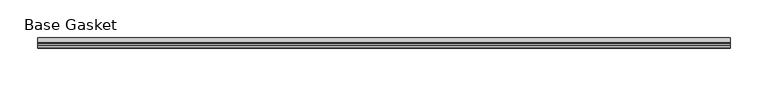
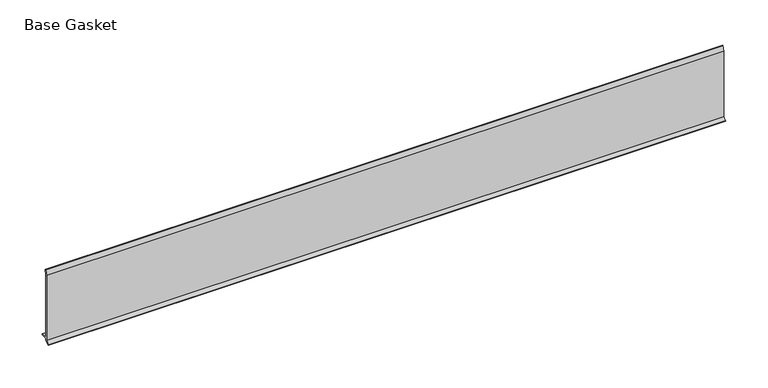
"""IFC4 building model written with IfcOpenShell, lengths in millimetres: furniture geometry, Base Gasket."""

import ifcopenshell
import ifcopenshell.guid

model = None  # the IFC model being written
_history = None  # IfcOwnerHistory: only IFC2X3 demands one
_inside = {}  # id of a spatial element -> (the spatial element, [elements in it])
_under = {}  # id of a project, library or spatial element -> (it, [spatial elements below it])
_declared = {}  # id of a project -> (the project, [libraries it declares])
_typed = {}  # id of a type object -> (the type object, [elements of that type])
_made_of = {}  # id of a material, layer set ... -> (it, [elements and type objects made of it])


def new_model(schema):
    """Start an empty IFC model of exactly this schema.

    Asked for "IFC4X3", IfcOpenShell would pick the latest addendum, in which some entities
    have other attributes; the version numbers below select the first issue.
    IFC2X3 requires an IfcOwnerHistory on every rooted entity: one is made here for all.
    """
    global model, _history
    if schema == "IFC4X3":
        model = ifcopenshell.file(schema_version=(4, 3, 0, 0))
    else:
        model = ifcopenshell.file(schema=schema)
    _inside.clear()
    _under.clear()
    _declared.clear()
    _typed.clear()
    _made_of.clear()
    _history = None
    if model.schema == "IFC2X3":
        org = make("IfcOrganization", Name="unknown")
        user = make(
            "IfcPersonAndOrganization",
            ThePerson=make("IfcPerson", FamilyName="unknown"),
            TheOrganization=org,
        )
        app = make(
            "IfcApplication",
            ApplicationDeveloper=org,
            Version="unknown",
            ApplicationFullName="unknown",
            ApplicationIdentifier="unknown",
        )
        _history = make(
            "IfcOwnerHistory",
            OwningUser=user,
            OwningApplication=app,
            ChangeAction="ADDED",
            CreationDate=0,
        )
    return model


def make(cls, **values):
    """One entity of the class cls with the attributes given. An attribute that is None is left unset."""
    return model.create_entity(
        cls, **{name: value for name, value in values.items() if value is not None}
    )


def rooted(cls, **values):
    """An entity with a GlobalId (a new one), such as an element, a storey or a relation."""
    return make(cls, GlobalId=ifcopenshell.guid.new(), OwnerHistory=_history, **values)


def si_unit(unit_type, name, prefix=None):
    """IfcSIUnit, for example si_unit("LENGTHUNIT", "METRE", prefix="MILLI")."""
    return make("IfcSIUnit", UnitType=unit_type, Prefix=prefix, Name=name)


def assignment(units):
    """IfcUnitAssignment: the units of a project."""
    return None if units is None else make("IfcUnitAssignment", Units=units)


def point(xyz):
    """IfcCartesianPoint."""
    return None if xyz is None else make("IfcCartesianPoint", Coordinates=xyz)


def direction(xyz):
    """IfcDirection."""
    return None if xyz is None else make("IfcDirection", DirectionRatios=xyz)


def frame(location, z_axis=None, x_axis=None):
    """IfcAxis2Placement3D, a coordinate frame: its origin and axes. An axis left out is left unset."""
    return make(
        "IfcAxis2Placement3D",
        Location=point(location),
        Axis=direction(z_axis),
        RefDirection=direction(x_axis),
    )


def origin():
    """The frame at (0, 0, 0) with its axes left unset."""
    return frame((0.0, 0.0, 0.0))


def place(relative_to, where):
    """IfcLocalPlacement: puts the frame where relative to a parent placement (None: the world)."""
    return make(
        "IfcLocalPlacement", PlacementRelTo=relative_to, RelativePlacement=where
    )


def context(
    kind, dimensions, precision=None, world=None, true_north=None, identifier=None
):
    """IfcGeometricRepresentationContext, for example the 3D "Model" context."""
    return make(
        "IfcGeometricRepresentationContext",
        ContextIdentifier=identifier,
        ContextType=kind,
        CoordinateSpaceDimension=dimensions,
        Precision=precision,
        WorldCoordinateSystem=world,
        TrueNorth=true_north,
    )


def project(units=None, contexts=None):
    """IfcProject with its units and contexts."""
    return rooted(
        "IfcProject",
        Name="project",
        RepresentationContexts=contexts,
        UnitsInContext=assignment(units),
    )


def spatial(cls, under=None, at=None, **own):
    """A site, building, storey or space (cls), placed at a placement, below another one or the project."""
    s = rooted(cls, ObjectPlacement=at, **own)
    if under is not None:
        _under.setdefault(under.id(), (under, []))[1].append(s)
    return s


def polyline(points):
    """IfcPolyline through the points."""
    return make("IfcPolyline", Points=[point(p) for p in points])


def outline(outer, holes=None, kind="AREA"):
    """IfcArbitraryClosedProfileDef: a profile drawn as a closed curve; with holes, ...WithVoids."""
    if holes is None:
        return make("IfcArbitraryClosedProfileDef", ProfileType=kind, OuterCurve=outer)
    return make(
        "IfcArbitraryProfileDefWithVoids",
        ProfileType=kind,
        OuterCurve=outer,
        InnerCurves=holes,
    )


def extrude(swept, where, along, depth):
    """IfcExtrudedAreaSolid: the profile swept, set in the frame where, extruded along a direction by depth."""
    return make(
        "IfcExtrudedAreaSolid",
        SweptArea=swept,
        Position=where,
        ExtrudedDirection=direction(along),
        Depth=depth,
    )


def shape(context_of_items, identifier, shape_type, items):
    """IfcShapeRepresentation: the items that make up one representation, for example the "Body"."""
    return make(
        "IfcShapeRepresentation",
        ContextOfItems=context_of_items,
        RepresentationIdentifier=identifier,
        RepresentationType=shape_type,
        Items=items,
    )


def source(mapping_origin, context_of_items, identifier, shape_type, items):
    """IfcRepresentationMap: a shape defined once, which mapped items show again and again."""
    return make(
        "IfcRepresentationMap",
        MappingOrigin=mapping_origin,
        MappedRepresentation=shape(context_of_items, identifier, shape_type, items),
    )


def transform(
    local_origin,
    x_axis=None,
    y_axis=None,
    z_axis=None,
    scale=None,
    scale2=None,
    scale3=None,
    uniform=True,
):
    """IfcCartesianTransformationOperator3D, or its non-uniform kind. x_axis, y_axis, z_axis: its Axis1, 2, 3."""
    if uniform:
        return make(
            "IfcCartesianTransformationOperator3D",
            Axis1=direction(x_axis),
            Axis2=direction(y_axis),
            LocalOrigin=point(local_origin),
            Scale=scale,
            Axis3=direction(z_axis),
        )
    return make(
        "IfcCartesianTransformationOperator3DnonUniform",
        Axis1=direction(x_axis),
        Axis2=direction(y_axis),
        LocalOrigin=point(local_origin),
        Scale=scale,
        Axis3=direction(z_axis),
        Scale2=scale2,
        Scale3=scale3,
    )


def mapped(mapping_source, mapping_target):
    """IfcMappedItem: shows the shape of a source again, moved by a transform."""
    return make(
        "IfcMappedItem", MappingSource=mapping_source, MappingTarget=mapping_target
    )


def made_of(thing, what):
    """Note that an element or type object is made of a material, layer set ...; save() writes the relation."""
    if what is not None:
        _made_of.setdefault(what.id(), (what, []))[1].append(thing)
    return thing


def element(
    cls,
    number,
    at=None,
    inside=None,
    cuts=None,
    type_object=None,
    material=None,
    context=None,
    identifier="Body",
    shape_type=None,
    held_by="IfcProductDefinitionShape",
    body=None,
    shapes=None,
    **own,
):
    """One element of the class cls, such as IfcWall. Its Tag is "e" and its number.

    at: its placement. inside: the storey or other place that contains it. cuts: it is an
    opening in that element (IfcRelVoidsElement). A single representation is given by context,
    identifier, shape_type and body (its items); several are given by shapes. held_by: the class
    of the entity that holds the representations. save() writes the other relations.
    """
    e = rooted(cls, Tag="e%d" % number, ObjectPlacement=at, **own)
    if body is not None:
        shapes = [shape(context, identifier, shape_type, body)]
    if shapes is not None:
        e.Representation = make(held_by, Representations=shapes)
    if inside is not None:
        _inside.setdefault(inside.id(), (inside, []))[1].append(e)
    if cuts is not None:
        rooted(
            "IfcRelVoidsElement", RelatingBuildingElement=cuts, RelatedOpeningElement=e
        )
    if type_object is not None:
        _typed.setdefault(type_object.id(), (type_object, []))[1].append(e)
    return made_of(e, material)


def aggregate(whole, parts):
    """IfcRelAggregates: a whole, such as a stair, and the parts it consists of."""
    return rooted("IfcRelAggregates", RelatingObject=whole, RelatedObjects=parts)


def save(model, path):
    """Write the relations noted so far, then the file.

    IfcRelAggregates (storeys below a building ...), IfcRelContainedInSpatialStructure (elements
    in a storey), IfcRelDefinesByType, IfcRelAssociatesMaterial and IfcRelDeclares: one each for
    every whole, place, type object, material and project.
    """
    for whole, parts in _under.values():
        aggregate(whole, parts)
    for where, things in _inside.values():
        rooted(
            "IfcRelContainedInSpatialStructure",
            RelatedElements=things,
            RelatingStructure=where,
        )
    for kind, things in _typed.values():
        rooted("IfcRelDefinesByType", RelatedObjects=things, RelatingType=kind)
    for what, things in _made_of.values():
        rooted("IfcRelAssociatesMaterial", RelatedObjects=things, RelatingMaterial=what)
    for by, libraries in _declared.values():
        rooted("IfcRelDeclares", RelatingContext=by, RelatedDefinitions=libraries)
    model.write(path)


def base_gasket_9af32687(model_context):
    return source(origin(), model_context, "Body", "SweptSolid", [
        extrude(outline(polyline([(-3.7283812, 98.4568417), (-1.1891543, 104.587663), (-0.6755308, 105.2002997), (-0.6755308, 104.4162708), (-2.2043812, 98.4568417), (-2.2043812, 96.8693477), (-1.4106313, 96.8693477), (-1.4106313, 71.4693447), (-2.2043812, 71.4693447), (-2.2043812, 7.9398773), (6.2405171, 7.9398773), (6.2405171, 6.3818476), (-2.1334222, 6.3818476), (-2.2043812, 4.3498477), (-6.8281054, 0.3520979), (-7.8482342, 0.0), (-7.4222115, 0.6560174), (-3.7283812, 4.3498477), (-3.7283812, 98.4568417)])), frame((-1527.8982117, 0.0, 0.0), z_axis=(1.0, 0.0, 0.0), x_axis=(0.0, 1.0, 0.0)), (0.0, 0.0, 1.0), 922.2573348),
    ])


if __name__ == "__main__":
    model = new_model("IFC4")
    model_context = context("Model", 3, world=origin())
    ifc_project = project(units=[si_unit("LENGTHUNIT", "METRE", prefix="MILLI")], contexts=[model_context])
    site = spatial("IfcSite", under=ifc_project)
    building = spatial("IfcBuilding", under=site)
    placement = place(None, origin())
    base_gasket_shape = base_gasket_9af32687(model_context)
    element("IfcFurniture", 1, ObjectType="Base Gasket", at=placement, inside=building, context=model_context, shape_type="MappedRepresentation", body=[
        mapped(base_gasket_shape, transform((0.0, 0.0, 0.0), x_axis=(1.0, 0.0, 0.0), y_axis=(0.0, 1.0, 0.0), z_axis=(0.0, 0.0, 1.0))),
    ])
    save(model, "model.ifc")
